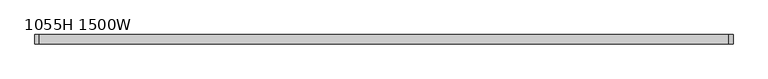
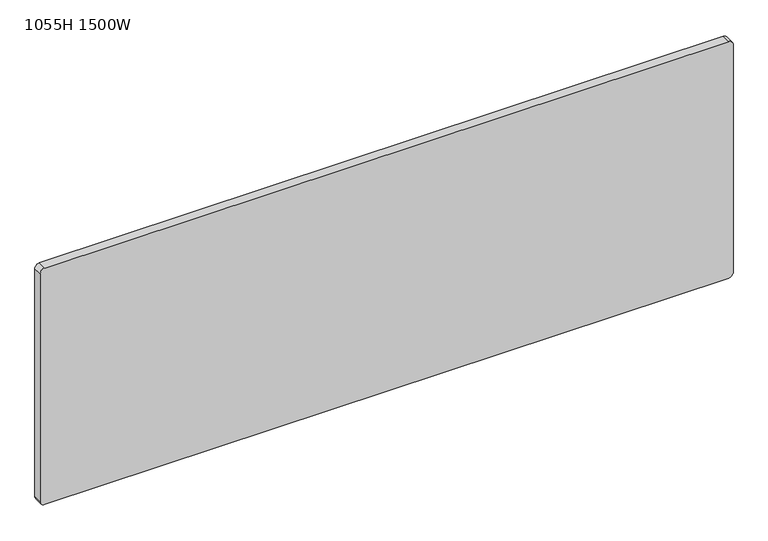
"""IFC4 building model written with IfcOpenShell, lengths in millimetres: furniture geometry, 1055H 1500W."""

from ifc_helpers import new_model, si_unit, point, frame, frame_2d, origin, place, context, project, spatial, polyline, circle_curve, trimmed, segment, composite_curve, outline, extrude, source, transform, mapped, element, save


def furniture_1055h_1500w_8626f195(model_context):
    return source(origin(), model_context, "Body", "SweptSolid", [
        extrude(outline(composite_curve([segment(trimmed(circle_curve(frame_2d((540.0, 752.5)), 10.0), [point((530.0, 752.5))], [point((540.0, 762.5))], False, "CARTESIAN"), True, "CONTINUOUS"), segment(polyline([(540.0, 762.5), (1070.0, 762.5)]), True, "CONTINUOUS"), segment(trimmed(circle_curve(frame_2d((1070.0, 752.5)), 10.0), [point((1070.0, 762.5))], [point((1080.0, 752.5))], False, "CARTESIAN"), True, "CONTINUOUS"), segment(polyline([(1080.0, 752.5), (1080.0, -752.5)]), True, "CONTINUOUS"), segment(trimmed(circle_curve(frame_2d((1070.0, -752.5)), 10.0), [point((1080.0, -752.5))], [point((1070.0, -762.5))], False, "CARTESIAN"), True, "CONTINUOUS"), segment(polyline([(1070.0, -762.5), (540.0, -762.5)]), True, "CONTINUOUS"), segment(trimmed(circle_curve(frame_2d((540.0, -752.5)), 10.0), [point((540.0, -762.5))], [point((530.0, -752.5))], False, "CARTESIAN"), True, "CONTINUOUS"), segment(polyline([(530.0, -752.5), (530.0, 752.5)]), True, "CONTINUOUS")], self_intersect=False)), frame((0.0, -10.0, 0.0), z_axis=(0.0, 1.0, 0.0), x_axis=(0.0, 0.0, 1.0)), (0.0, 0.0, 1.0), 20.0),
    ])


if __name__ == "__main__":
    model = new_model("IFC4")
    model_context = context("Model", 3, world=origin())
    ifc_project = project(units=[si_unit("LENGTHUNIT", "METRE", prefix="MILLI")], contexts=[model_context])
    site = spatial("IfcSite", under=ifc_project)
    building = spatial("IfcBuilding", under=site)
    placement = place(None, origin())
    furniture_1055h_1500w_shape = furniture_1055h_1500w_8626f195(model_context)
    element("IfcFurniture", 1, ObjectType="1055H 1500W", at=placement, inside=building, context=model_context, shape_type="MappedRepresentation", body=[
        mapped(furniture_1055h_1500w_shape, transform((0.0, 0.0, 0.0), x_axis=(1.0, 0.0, 0.0), y_axis=(0.0, 1.0, 0.0), z_axis=(0.0, 0.0, 1.0))),
    ])
    save(model, "model.ifc")
